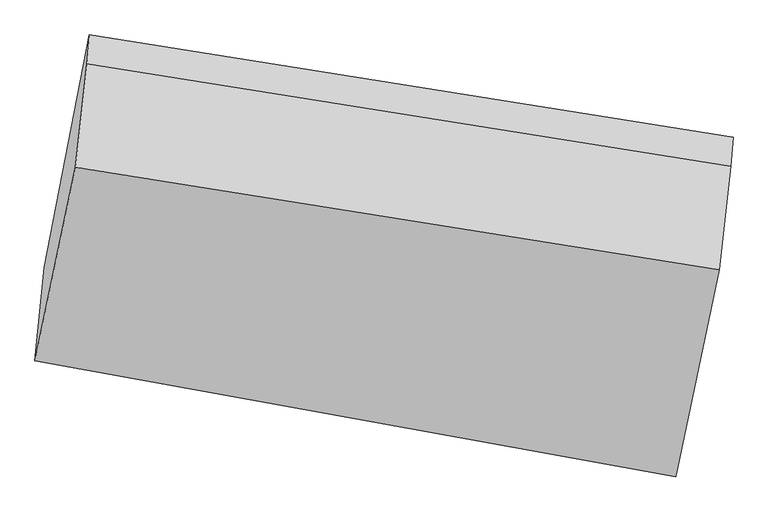
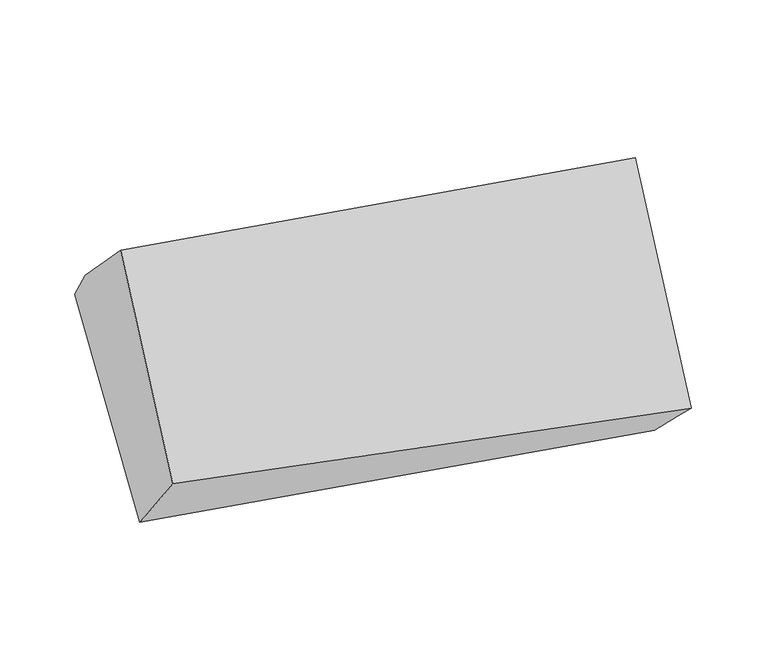
"""IFC4 building model written with IfcOpenShell, lengths in millimetres: proxy geometry."""

from ifc_helpers import new_model, si_unit, frame, origin, place, context, project, spatial, source, transform, mapped, element, save
from ifc_brep_helpers import plane_surface, spline_surface, advanced_brep


def generic_models_3566a26a(model_context):
    return source(origin(), model_context, "Body", "AdvancedBrep", [
        advanced_brep(
        [(-3815.4571331, -1821.2802778, 1910.5074458), (-3789.6216409, -1564.4813644, 1594.3227905), (-2030.8459174, -1843.8039664, 1511.1723158), (-2064.427583, -2137.6505037, 1787.9640161), (-3666.607162, -930.4449689, 2066.4088919), (-1907.8314385, -1209.7675709, 1983.2584171), (-2029.0550437, -1834.573515, 1518.0450566), (-3673.3011389, -1009.4471633, 2190.2072747), (-1914.5254155, -1288.7697652, 2107.0568), (-3704.8563859, -1292.3100741, 2472.9645538), (-1946.0806624, -1571.6326761, 2389.814079)],
        [
            (0, 1),
            (1, 2),
            (2, 3),
            (3, 0),
            (1, 4),
            (4, 5),
            (5, 6),
            (6, 1),
            (4, 7),
            (7, 8),
            (8, 5),
            (7, 9),
            (9, 10),
            (10, 8),
            (9, 0),
            (3, 10),
            (2, 6),
        ],
        [
            spline_surface(1, 1, [[(-3815.4571331, -1821.2802778, 1910.5074458), (-2064.427583, -2137.6505037, 1787.9640161)], [(-3789.6216409, -1564.4813644, 1594.3227905), (-2030.8459174, -1843.8039664, 1511.1723158)]], [2, 2], [2, 2], [0.0, 1.0], [0.0, 1.0]),
            plane_surface(frame((-3728.1144014, -1247.4631667, 1830.3658412), z_axis=(0.05549258333141372, 0.5893411672178807, -0.8059761546208872), x_axis=(0.1537680986729848, 0.7925454944239849, 0.5901076267078207))),
            plane_surface(frame((-3669.9541505, -969.9460661, 2128.3080833), z_axis=(0.1570054766432814, 0.8286514278395394, 0.5372951623116563), x_axis=(-0.04553389153489353, -0.5373901592409268, 0.8421036049517304))),
            plane_surface(frame((-3689.0787624, -1150.8786187, 2331.5859142), z_axis=(0.1433101273227894, 0.691634950505307, 0.7078865040712723), x_axis=(-0.07865279639668232, -0.7050478475600231, 0.7047845559246885))),
            plane_surface(frame((-3760.1567595, -1556.7951759, 2191.7359998), z_axis=(-0.08135107641732234, -0.718011831470293, 0.6912604518084472), x_axis=(-0.14179582976954788, -0.6781669278121528, -0.7210988563864122))),
            plane_surface(frame((-1972.7422034, -1610.3248965, 1955.8531256), z_axis=(0.9865474874661189, -0.15668001752136954, -0.04664147385955175), x_axis=(-0.07865279639668232, -0.7050478475600231, 0.7047845559246885))),
            plane_surface(frame((-3729.9686922, -1323.5927697, 2046.8821913), z_axis=(-0.9865474874661179, 0.1566800175213753, 0.04664147385955886), x_axis=(0.14179582976955724, 0.6781669278121539, 0.7210988563864096))),
            plane_surface(frame((-3789.6216409, -1564.4813644, 1594.3227905), z_axis=(0.055492583331355164, 0.5893411672175722, -0.8059761546211167), x_axis=(0.15376809867190155, 0.7925454944243895, 0.5901076267075595))),
        ],
        [
            (0, [[1, 2, 3, 4]]),
            (1, [[5, 6, 7, 8]]),
            (2, [[9, 10, 11, -6]]),
            (3, [[12, 13, 14, -10]]),
            (4, [[15, -4, 16, -13]]),
            (5, [[-14, -16, -3, 17, -7, -11]]),
            (6, [[-15, -12, -9, -5, -1]]),
            (7, [[-17, -2, -8]]),
        ],
    ),
    ])


if __name__ == "__main__":
    model = new_model("IFC4")
    model_context = context("Model", 3, world=origin())
    ifc_project = project(units=[si_unit("LENGTHUNIT", "METRE", prefix="MILLI")], contexts=[model_context])
    site = spatial("IfcSite", under=ifc_project)
    building = spatial("IfcBuilding", under=site)
    placement = place(None, origin())
    generic_models_shape = generic_models_3566a26a(model_context)
    element("IfcBuildingElementProxy", 1, Name="Generic Models", at=placement, inside=building, context=model_context, shape_type="MappedRepresentation", body=[
        mapped(generic_models_shape, transform((0.0, 0.0, 0.0), x_axis=(1.0, 0.0, 0.0), y_axis=(0.0, 1.0, 0.0), z_axis=(0.0, 0.0, 1.0))),
    ])
    save(model, "model.ifc")
